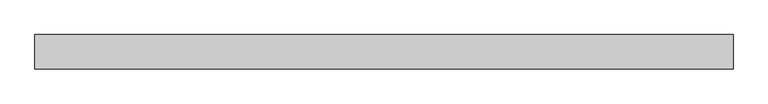
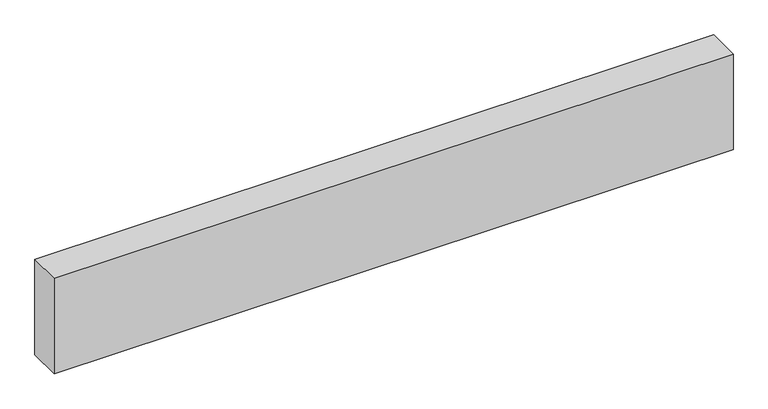
"""IFC4 building model written with IfcOpenShell, lengths in millimetres: proxy geometry."""

from ifc_helpers import new_model, si_unit, origin, origin_with_axes, place, context, project, spatial, polyline, outline, extrude, source, transform, mapped, element, save


def generic_models_469aa7ac(model_context):
    return source(origin(), model_context, "Body", "SweptSolid", [
        extrude(outline(polyline([(2019.2632496, 0.0), (2019.2632496, -100.0), (0.0, -100.0), (0.0, 0.0), (2019.2632496, 0.0)])), origin_with_axes(), (0.0, 0.0, 1.0), 300.0),
    ])


if __name__ == "__main__":
    model = new_model("IFC4")
    model_context = context("Model", 3, world=origin())
    ifc_project = project(units=[si_unit("LENGTHUNIT", "METRE", prefix="MILLI")], contexts=[model_context])
    site = spatial("IfcSite", under=ifc_project)
    building = spatial("IfcBuilding", under=site)
    placement = place(None, origin())
    generic_models_shape = generic_models_469aa7ac(model_context)
    element("IfcBuildingElementProxy", 1, Name="Generic Models", at=placement, inside=building, context=model_context, shape_type="MappedRepresentation", body=[
        mapped(generic_models_shape, transform((0.0, 0.0, 0.0), x_axis=(1.0, 0.0, 0.0), y_axis=(0.0, 1.0, 0.0), z_axis=(0.0, 0.0, 1.0))),
    ])
    save(model, "model.ifc")
